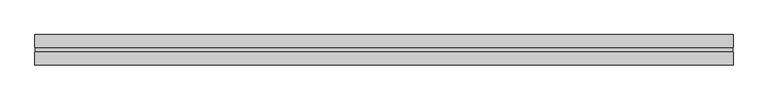
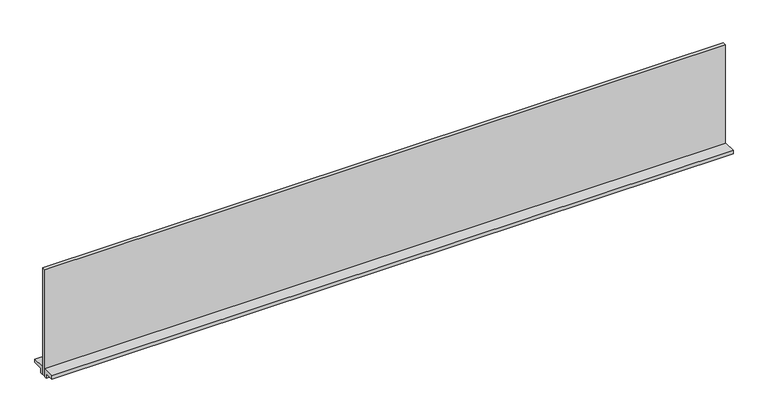
"""IFC4 building model written with IfcOpenShell, lengths in millimetres: furniture geometry."""

import ifcopenshell
import ifcopenshell.guid

model = None  # the IFC model being written
_history = None  # IfcOwnerHistory: only IFC2X3 demands one
_inside = {}  # id of a spatial element -> (the spatial element, [elements in it])
_under = {}  # id of a project, library or spatial element -> (it, [spatial elements below it])
_declared = {}  # id of a project -> (the project, [libraries it declares])
_typed = {}  # id of a type object -> (the type object, [elements of that type])
_made_of = {}  # id of a material, layer set ... -> (it, [elements and type objects made of it])


def new_model(schema):
    """Start an empty IFC model of exactly this schema.

    Asked for "IFC4X3", IfcOpenShell would pick the latest addendum, in which some entities
    have other attributes; the version numbers below select the first issue.
    IFC2X3 requires an IfcOwnerHistory on every rooted entity: one is made here for all.
    """
    global model, _history
    if schema == "IFC4X3":
        model = ifcopenshell.file(schema_version=(4, 3, 0, 0))
    else:
        model = ifcopenshell.file(schema=schema)
    _inside.clear()
    _under.clear()
    _declared.clear()
    _typed.clear()
    _made_of.clear()
    _history = None
    if model.schema == "IFC2X3":
        org = make("IfcOrganization", Name="unknown")
        user = make(
            "IfcPersonAndOrganization",
            ThePerson=make("IfcPerson", FamilyName="unknown"),
            TheOrganization=org,
        )
        app = make(
            "IfcApplication",
            ApplicationDeveloper=org,
            Version="unknown",
            ApplicationFullName="unknown",
            ApplicationIdentifier="unknown",
        )
        _history = make(
            "IfcOwnerHistory",
            OwningUser=user,
            OwningApplication=app,
            ChangeAction="ADDED",
            CreationDate=0,
        )
    return model


def make(cls, **values):
    """One entity of the class cls with the attributes given. An attribute that is None is left unset."""
    return model.create_entity(
        cls, **{name: value for name, value in values.items() if value is not None}
    )


def rooted(cls, **values):
    """An entity with a GlobalId (a new one), such as an element, a storey or a relation."""
    return make(cls, GlobalId=ifcopenshell.guid.new(), OwnerHistory=_history, **values)


def si_unit(unit_type, name, prefix=None):
    """IfcSIUnit, for example si_unit("LENGTHUNIT", "METRE", prefix="MILLI")."""
    return make("IfcSIUnit", UnitType=unit_type, Prefix=prefix, Name=name)


def assignment(units):
    """IfcUnitAssignment: the units of a project."""
    return None if units is None else make("IfcUnitAssignment", Units=units)


def point(xyz):
    """IfcCartesianPoint."""
    return None if xyz is None else make("IfcCartesianPoint", Coordinates=xyz)


def direction(xyz):
    """IfcDirection."""
    return None if xyz is None else make("IfcDirection", DirectionRatios=xyz)


def frame(location, z_axis=None, x_axis=None):
    """IfcAxis2Placement3D, a coordinate frame: its origin and axes. An axis left out is left unset."""
    return make(
        "IfcAxis2Placement3D",
        Location=point(location),
        Axis=direction(z_axis),
        RefDirection=direction(x_axis),
    )


def origin():
    """The frame at (0, 0, 0) with its axes left unset."""
    return frame((0.0, 0.0, 0.0))


def place(relative_to, where):
    """IfcLocalPlacement: puts the frame where relative to a parent placement (None: the world)."""
    return make(
        "IfcLocalPlacement", PlacementRelTo=relative_to, RelativePlacement=where
    )


def context(
    kind, dimensions, precision=None, world=None, true_north=None, identifier=None
):
    """IfcGeometricRepresentationContext, for example the 3D "Model" context."""
    return make(
        "IfcGeometricRepresentationContext",
        ContextIdentifier=identifier,
        ContextType=kind,
        CoordinateSpaceDimension=dimensions,
        Precision=precision,
        WorldCoordinateSystem=world,
        TrueNorth=true_north,
    )


def project(units=None, contexts=None):
    """IfcProject with its units and contexts."""
    return rooted(
        "IfcProject",
        Name="project",
        RepresentationContexts=contexts,
        UnitsInContext=assignment(units),
    )


def spatial(cls, under=None, at=None, **own):
    """A site, building, storey or space (cls), placed at a placement, below another one or the project."""
    s = rooted(cls, ObjectPlacement=at, **own)
    if under is not None:
        _under.setdefault(under.id(), (under, []))[1].append(s)
    return s


def polyline(points):
    """IfcPolyline through the points."""
    return make("IfcPolyline", Points=[point(p) for p in points])


def outline(outer, holes=None, kind="AREA"):
    """IfcArbitraryClosedProfileDef: a profile drawn as a closed curve; with holes, ...WithVoids."""
    if holes is None:
        return make("IfcArbitraryClosedProfileDef", ProfileType=kind, OuterCurve=outer)
    return make(
        "IfcArbitraryProfileDefWithVoids",
        ProfileType=kind,
        OuterCurve=outer,
        InnerCurves=holes,
    )


def extrude(swept, where, along, depth):
    """IfcExtrudedAreaSolid: the profile swept, set in the frame where, extruded along a direction by depth."""
    return make(
        "IfcExtrudedAreaSolid",
        SweptArea=swept,
        Position=where,
        ExtrudedDirection=direction(along),
        Depth=depth,
    )


def shape(context_of_items, identifier, shape_type, items):
    """IfcShapeRepresentation: the items that make up one representation, for example the "Body"."""
    return make(
        "IfcShapeRepresentation",
        ContextOfItems=context_of_items,
        RepresentationIdentifier=identifier,
        RepresentationType=shape_type,
        Items=items,
    )


def source(mapping_origin, context_of_items, identifier, shape_type, items):
    """IfcRepresentationMap: a shape defined once, which mapped items show again and again."""
    return make(
        "IfcRepresentationMap",
        MappingOrigin=mapping_origin,
        MappedRepresentation=shape(context_of_items, identifier, shape_type, items),
    )


def transform(
    local_origin,
    x_axis=None,
    y_axis=None,
    z_axis=None,
    scale=None,
    scale2=None,
    scale3=None,
    uniform=True,
):
    """IfcCartesianTransformationOperator3D, or its non-uniform kind. x_axis, y_axis, z_axis: its Axis1, 2, 3."""
    if uniform:
        return make(
            "IfcCartesianTransformationOperator3D",
            Axis1=direction(x_axis),
            Axis2=direction(y_axis),
            LocalOrigin=point(local_origin),
            Scale=scale,
            Axis3=direction(z_axis),
        )
    return make(
        "IfcCartesianTransformationOperator3DnonUniform",
        Axis1=direction(x_axis),
        Axis2=direction(y_axis),
        LocalOrigin=point(local_origin),
        Scale=scale,
        Axis3=direction(z_axis),
        Scale2=scale2,
        Scale3=scale3,
    )


def mapped(mapping_source, mapping_target):
    """IfcMappedItem: shows the shape of a source again, moved by a transform."""
    return make(
        "IfcMappedItem", MappingSource=mapping_source, MappingTarget=mapping_target
    )


def made_of(thing, what):
    """Note that an element or type object is made of a material, layer set ...; save() writes the relation."""
    if what is not None:
        _made_of.setdefault(what.id(), (what, []))[1].append(thing)
    return thing


def element(
    cls,
    number,
    at=None,
    inside=None,
    cuts=None,
    type_object=None,
    material=None,
    context=None,
    identifier="Body",
    shape_type=None,
    held_by="IfcProductDefinitionShape",
    body=None,
    shapes=None,
    **own,
):
    """One element of the class cls, such as IfcWall. Its Tag is "e" and its number.

    at: its placement. inside: the storey or other place that contains it. cuts: it is an
    opening in that element (IfcRelVoidsElement). A single representation is given by context,
    identifier, shape_type and body (its items); several are given by shapes. held_by: the class
    of the entity that holds the representations. save() writes the other relations.
    """
    e = rooted(cls, Tag="e%d" % number, ObjectPlacement=at, **own)
    if body is not None:
        shapes = [shape(context, identifier, shape_type, body)]
    if shapes is not None:
        e.Representation = make(held_by, Representations=shapes)
    if inside is not None:
        _inside.setdefault(inside.id(), (inside, []))[1].append(e)
    if cuts is not None:
        rooted(
            "IfcRelVoidsElement", RelatingBuildingElement=cuts, RelatedOpeningElement=e
        )
    if type_object is not None:
        _typed.setdefault(type_object.id(), (type_object, []))[1].append(e)
    return made_of(e, material)


def aggregate(whole, parts):
    """IfcRelAggregates: a whole, such as a stair, and the parts it consists of."""
    return rooted("IfcRelAggregates", RelatingObject=whole, RelatedObjects=parts)


def save(model, path):
    """Write the relations noted so far, then the file.

    IfcRelAggregates (storeys below a building ...), IfcRelContainedInSpatialStructure (elements
    in a storey), IfcRelDefinesByType, IfcRelAssociatesMaterial and IfcRelDeclares: one each for
    every whole, place, type object, material and project.
    """
    for whole, parts in _under.values():
        aggregate(whole, parts)
    for where, things in _inside.values():
        rooted(
            "IfcRelContainedInSpatialStructure",
            RelatedElements=things,
            RelatingStructure=where,
        )
    for kind, things in _typed.values():
        rooted("IfcRelDefinesByType", RelatedObjects=things, RelatingType=kind)
    for what, things in _made_of.values():
        rooted("IfcRelAssociatesMaterial", RelatedObjects=things, RelatingMaterial=what)
    for by, libraries in _declared.values():
        rooted("IfcRelDeclares", RelatingContext=by, RelatedDefinitions=libraries)
    model.write(path)


def furniture_82ffcb91(model_context):
    return source(origin(), model_context, "Body", "SweptSolid", [
        extrude(outline(polyline([(12.9619352, 1150.366), (12.9619352, 1136.777), (5.9388366, 1136.777), (5.9388366, 1159.891), (39.4795359, 1159.891), (39.4795359, 1150.366), (12.9619352, 1150.366)])), frame((-913.384, 0.0, 0.0), z_axis=(1.0, 0.0, 0.0), x_axis=(0.0, 1.0, 0.0)), (0.0, 0.0, 1.0), 1826.7680009),
        extrude(outline(polyline([(-12.9714633, 1136.777), (-12.9714633, 1150.366), (-39.4890627, 1150.366), (-39.4890627, 1159.891), (-5.9483625, 1159.891), (-5.9483625, 1136.777), (-12.9714633, 1136.777)])), frame((-913.384, 0.0, 0.0), z_axis=(1.0, 0.0, 0.0), x_axis=(0.0, 1.0, 0.0)), (0.0, 0.0, 1.0), 1826.7680009),
        extrude(outline(polyline([(911.987001, 4.757736), (911.987001, -4.767264), (-911.987, -4.767264), (-911.987, 4.757736), (911.987001, 4.757736)])), frame((0.0, 0.0, 1136.777), z_axis=(0.0, 0.0, 1.0), x_axis=(1.0, 0.0, 0.0)), (0.0, 0.0, 1.0), 302.514),
    ])


if __name__ == "__main__":
    model = new_model("IFC4")
    model_context = context("Model", 3, world=origin())
    ifc_project = project(units=[si_unit("LENGTHUNIT", "METRE", prefix="MILLI")], contexts=[model_context])
    site = spatial("IfcSite", under=ifc_project)
    building = spatial("IfcBuilding", under=site)
    placement = place(None, origin())
    furniture_shape = furniture_82ffcb91(model_context)
    element("IfcFurniture", 1, at=placement, inside=building, context=model_context, shape_type="MappedRepresentation", body=[
        mapped(furniture_shape, transform((0.0, 0.0, 0.0), x_axis=(1.0, 0.0, 0.0), y_axis=(0.0, 1.0, 0.0), z_axis=(0.0, 0.0, 1.0))),
    ])
    save(model, "model.ifc")
